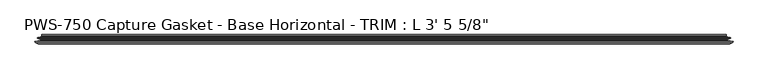
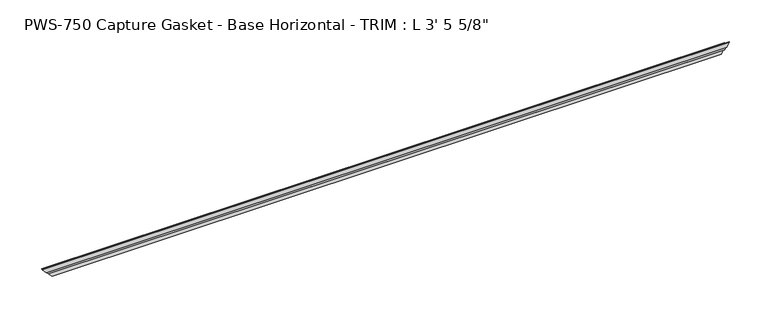
"""IFC4 building model written with IfcOpenShell, lengths in millimetres: proxy geometry."""

from ifc_helpers import new_model, si_unit, origin, place, context, project, spatial, faceted_brep, source, transform, mapped, element, save


def proxy_043da816(model_context):
    return source(origin(), model_context, "Body", "Brep", [
        faceted_brep([(1046.7569896, 11.3058688, 3.7741579), (10.5180104, 11.3058688, 3.7741579), (9.9694015, 10.5185521, 4.3227669), (1047.3055985, 10.5185521, 4.3227669), (6.8541528, 10.1484847, 7.4380156), (1050.4208472, 10.1484847, 7.4380156), (8.1534683, 11.2380874, 6.1387001), (1049.1215317, 11.2380874, 6.1387001), (4.2087587, 9.8326365, 10.0834097), (1053.0662413, 9.8326365, 10.0834097), (3.6194015, 9.077363, 10.6727669), (1053.6555985, 9.077363, 10.6727669), (4.2455601, 8.3570499, 10.0466082), (1053.0294399, 8.3570499, 10.0466082), (8.1534683, 6.964711, 6.1387001), (1049.1215317, 6.964711, 6.1387001), (6.8541528, 8.0543136, 7.4380156), (1050.4208472, 8.0543136, 7.4380156), (9.9694015, 7.6842462, 4.3227669), (1047.3055985, 7.6842462, 4.3227669), (9.9694015, 4.8395867, 4.3227669), (1047.3055985, 4.8395867, 4.3227669), (4.3825047, 4.8395867, 9.9096637), (1052.8924953, 4.8395867, 9.9096637), (0.0, 3.7618735, 14.2921683), (1057.275, 3.7618735, 14.2921683), (0.2465562, 2.7592562, 14.0456121), (1057.0284438, 2.7592562, 14.0456121), (5.3486143, 0.3893608, 8.9435541), (1051.9263857, 0.3893608, 8.9435541), (3.2925728, 2.4454023, 10.9995955), (1053.9824272, 2.4454023, 10.9995955), (5.4593479, 2.4454023, 8.8328204), (1051.8156521, 2.4454023, 8.8328204), (8.4293132, 0.3893608, 5.8628551), (1048.8456868, 0.3893608, 5.8628551), (6.5862777, 2.6340331, 7.7058906), (1050.6887223, 2.6340331, 7.7058906), (9.6912611, 2.3338527, 4.6009073), (1047.5837389, 2.3338527, 4.6009073), (13.9270181, 0.0, 0.3651502), (1043.3479819, 0.0, 0.3651502), (14.2921683, 0.7787217, 0.0), (1042.9828317, 0.7787217, 0.0), (11.7400908, 3.3307993, 2.5520776), (1045.5349092, 3.3307993, 2.5520776), (11.3945114, 13.0602862, 2.897657), (1045.8804886, 13.0602862, 2.897657), (10.0363127, 14.4184849, 4.2558556), (1047.2386873, 14.4184849, 4.2558556), (10.0363127, 13.3109165, 4.2558556), (1047.2386873, 13.3109165, 4.2558556)], [[[0, 1, 2, 3]], [[3, 2, 4, 5]], [[5, 4, 6, 7]], [[7, 6, 8, 9]], [[9, 8, 10, 11]], [[11, 10, 12, 13]], [[13, 12, 14, 15]], [[15, 14, 16, 17]], [[17, 16, 18, 19]], [[19, 18, 20, 21]], [[21, 20, 22, 23]], [[24, 25, 23, 22]], [[25, 24, 26, 27]], [[27, 26, 28, 29]], [[29, 28, 30, 31]], [[31, 30, 32, 33]], [[33, 32, 34, 35]], [[35, 34, 36, 37]], [[37, 36, 38, 39]], [[39, 38, 40, 41]], [[41, 40, 42, 43]], [[43, 42, 44, 45]], [[45, 44, 46, 47]], [[47, 46, 48, 49]], [[49, 48, 50, 51]], [[1, 0, 51, 50]], [[0, 3, 5, 7, 9, 11, 13, 15, 17, 19, 21, 23, 25, 27, 29, 31, 33, 35, 37, 39, 41, 43, 45, 47, 49, 51]], [[2, 1, 50, 48, 46, 44, 42, 40, 38, 36, 34, 32, 30, 28, 26, 24, 22, 20, 18, 16, 14, 12, 10, 8, 6, 4]]]),
    ])


if __name__ == "__main__":
    model = new_model("IFC4")
    model_context = context("Model", 3, world=origin())
    ifc_project = project(units=[si_unit("LENGTHUNIT", "METRE", prefix="MILLI")], contexts=[model_context])
    site = spatial("IfcSite", under=ifc_project)
    building = spatial("IfcBuilding", under=site)
    placement = place(None, origin())
    proxy_shape = proxy_043da816(model_context)
    element("IfcBuildingElementProxy", 1, Name="PWS-750 Capture Gasket - Base Horizontal - TRIM : L 3' 5 5/8\"", ObjectType="PWS-750 Capture Gasket - Base Horizontal - TRIM : L 3' 5 5/8\"", at=placement, inside=building, context=model_context, shape_type="MappedRepresentation", body=[
        mapped(proxy_shape, transform((0.0, 0.0, 0.0), x_axis=(1.0, 0.0, 0.0), y_axis=(0.0, 1.0, 0.0), z_axis=(0.0, 0.0, 1.0))),
    ])
    save(model, "model.ifc")
